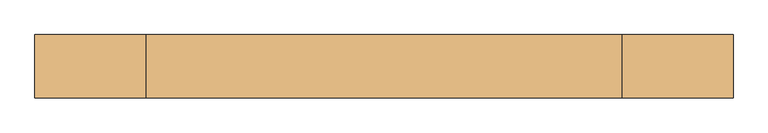
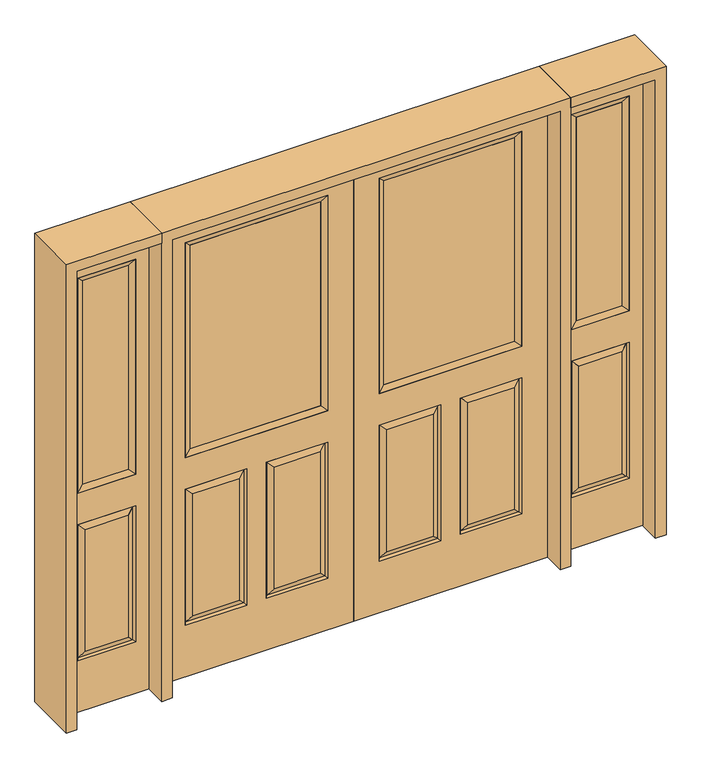
"""IFC4 building model written with IfcOpenShell, lengths in millimetres: door geometry."""

from ifc_helpers import new_model, si_unit, frame, origin, place, context, project, spatial, polyline, outline, extrude, faceted_brep, source, transform, mapped, element, save


def door_484cd6f8(model_context):
    return source(origin(), model_context, "Body", "SolidModel", [
        faceted_brep([(812.8, -22.225, 0.0), (812.8, -22.225, 2032.0), (0.0, -22.225, 2032.0), (0.0, -22.225, 0.0), (705.739, -22.225, 971.55), (107.061, -22.225, 971.55), (107.061, -22.225, 1925.574), (705.739, -22.225, 1925.574), (705.739, -22.225, 831.85), (705.739, -22.225, 228.6), (447.675, -22.225, 228.6), (447.675, -22.225, 831.85), (365.125, -22.225, 831.85), (365.125, -22.225, 228.6), (107.061, -22.225, 228.6), (107.061, -22.225, 831.85), (479.425, -22.225, 800.1), (479.425, -22.225, 260.35), (673.989, -22.225, 260.35), (673.989, -22.225, 800.1), (138.811, -22.225, 800.1), (138.811, -22.225, 260.35), (333.375, -22.225, 260.35), (333.375, -22.225, 800.1), (0.0, 22.225, 0.0), (812.8, 22.225, 0.0), (0.0, 22.225, 2032.0), (812.8, 22.225, 2032.0), (705.739, 22.225, 1925.574), (705.739, 22.225, 971.55), (107.061, 22.225, 971.55), (107.061, 22.225, 1925.574), (447.675, 22.225, 831.85), (447.675, 22.225, 228.6), (705.739, 22.225, 228.6), (705.739, 22.225, 831.85), (107.061, 22.225, 831.85), (107.061, 22.225, 228.6), (365.125, 22.225, 228.6), (365.125, 22.225, 831.85), (673.989, 22.225, 800.1), (673.989, 22.225, 260.35), (479.425, 22.225, 260.35), (479.425, 22.225, 800.1), (333.375, 22.225, 800.1), (333.375, 22.225, 260.35), (138.811, 22.225, 260.35), (138.811, 22.225, 800.1), (698.59525, -12.7449236, 824.70625), (454.81875, -12.7449236, 824.70625), (698.59525, -12.7449236, 235.74375), (454.81875, -12.7449236, 235.74375), (114.20475, -12.7449236, 824.70625), (357.98125, -12.7449236, 824.70625), (357.98125, -12.7449236, 235.74375), (114.20475, -12.7449236, 235.74375), (698.59525, 12.7449236, 824.70625), (454.81875, 12.7449236, 824.70625), (454.81875, 12.7449236, 235.74375), (698.59525, 12.7449236, 235.74375), (114.20475, 12.7449236, 824.70625), (357.98125, 12.7449236, 824.70625), (114.20475, 12.7449236, 235.74375), (357.98125, 12.7449236, 235.74375)], [[[0, 1, 2, 3], [4, 5, 6, 7], [8, 9, 10, 11], [12, 13, 14, 15]], [[16, 17, 18, 19]], [[20, 21, 22, 23]], [[3, 24, 25, 0]], [[2, 26, 24, 3]], [[0, 25, 27, 1]], [[7, 28, 29, 4]], [[5, 30, 31, 6]], [[4, 29, 30, 5]], [[25, 24, 26, 27], [29, 28, 31, 30], [32, 33, 34, 35], [36, 37, 38, 39]], [[40, 41, 42, 43]], [[44, 45, 46, 47]], [[1, 27, 26, 2]], [[6, 31, 28, 7]], [[16, 19, 48, 49]], [[19, 18, 50, 48]], [[51, 50, 18, 17]], [[49, 51, 17, 16]], [[48, 8, 11, 49]], [[11, 10, 51, 49]], [[10, 9, 50, 51]], [[48, 50, 9, 8]], [[52, 20, 23, 53]], [[23, 22, 54, 53]], [[22, 21, 55, 54]], [[52, 55, 21, 20]], [[53, 12, 15, 52]], [[15, 14, 55, 52]], [[54, 55, 14, 13]], [[53, 54, 13, 12]], [[56, 40, 43, 57]], [[43, 42, 58, 57]], [[42, 41, 59, 58]], [[56, 59, 41, 40]], [[57, 32, 35, 56]], [[35, 34, 59, 56]], [[58, 59, 34, 33]], [[57, 58, 33, 32]], [[44, 47, 60, 61]], [[47, 46, 62, 60]], [[63, 62, 46, 45]], [[61, 63, 45, 44]], [[60, 36, 39, 61]], [[39, 38, 63, 61]], [[38, 37, 62, 63]], [[60, 62, 37, 36]]]),
        extrude(outline(polyline([(132.461, -12.7), (132.461, 12.7), (680.339, 12.7), (680.339, -12.7), (132.461, -12.7)])), frame((0.0, 0.0, 996.95), z_axis=(0.0, 0.0, 1.0), x_axis=(1.0, 0.0, 0.0)), (0.0, 0.0, 1.0), 903.224),
        faceted_brep([(705.739, -22.225, 1925.574), (705.739, -22.225, 971.55), (705.739, 22.225, 971.55), (705.739, 22.225, 1925.574), (107.061, -22.225, 971.55), (107.061, 22.225, 971.55), (132.461, 12.7, 996.95), (680.339, 12.7, 996.95), (107.061, -22.225, 1925.574), (107.061, 22.225, 1925.574), (680.339, -12.7, 996.95), (132.461, -12.7, 996.95), (680.339, -12.7, 1900.174), (132.461, -12.7, 1900.174), (680.339, 12.7, 1900.174), (132.461, 12.7, 1900.174)], [[[0, 1, 2, 3]], [[1, 4, 5, 2]], [[2, 5, 6, 7]], [[4, 8, 9, 5]], [[10, 11, 4, 1]], [[12, 10, 1, 0]], [[11, 13, 8, 4]], [[7, 6, 11, 10]], [[14, 7, 10, 12]], [[6, 15, 13, 11]], [[3, 2, 7, 14]], [[5, 9, 15, 6]], [[8, 0, 3, 9]], [[13, 12, 0, 8]], [[15, 14, 12, 13]], [[9, 3, 14, 15]]]),
        faceted_brep([(-812.8, -22.225, 0.0), (0.0, -22.225, 0.0), (0.0, -22.225, 2032.0), (-812.8, -22.225, 2032.0), (-705.739, -22.225, 971.55), (-705.739, -22.225, 1925.574), (-107.061, -22.225, 1925.574), (-107.061, -22.225, 971.55), (-705.739, -22.225, 831.85), (-447.675, -22.225, 831.85), (-447.675, -22.225, 228.6), (-705.739, -22.225, 228.6), (-365.125, -22.225, 831.85), (-107.061, -22.225, 831.85), (-107.061, -22.225, 228.6), (-365.125, -22.225, 228.6), (-479.425, -22.225, 800.1), (-673.989, -22.225, 800.1), (-673.989, -22.225, 260.35), (-479.425, -22.225, 260.35), (-138.811, -22.225, 800.1), (-333.375, -22.225, 800.1), (-333.375, -22.225, 260.35), (-138.811, -22.225, 260.35), (-812.8, 22.225, 0.0), (0.0, 22.225, 0.0), (0.0, 22.225, 2032.0), (-812.8, 22.225, 2032.0), (-705.739, 22.225, 971.55), (-705.739, 22.225, 1925.574), (-107.061, 22.225, 1925.574), (-107.061, 22.225, 971.55), (-447.675, 22.225, 831.85), (-705.739, 22.225, 831.85), (-705.739, 22.225, 228.6), (-447.675, 22.225, 228.6), (-107.061, 22.225, 831.85), (-365.125, 22.225, 831.85), (-365.125, 22.225, 228.6), (-107.061, 22.225, 228.6), (-673.989, 22.225, 800.1), (-479.425, 22.225, 800.1), (-479.425, 22.225, 260.35), (-673.989, 22.225, 260.35), (-333.375, 22.225, 800.1), (-138.811, 22.225, 800.1), (-138.811, 22.225, 260.35), (-333.375, 22.225, 260.35), (-454.81875, -12.7449236, 824.70625), (-698.59525, -12.7449236, 824.70625), (-698.59525, -12.7449236, 235.74375), (-454.81875, -12.7449236, 235.74375), (-114.20475, -12.7449236, 824.70625), (-357.98125, -12.7449236, 824.70625), (-357.98125, -12.7449236, 235.74375), (-114.20475, -12.7449236, 235.74375), (-698.59525, 12.7449236, 824.70625), (-454.81875, 12.7449236, 824.70625), (-454.81875, 12.7449236, 235.74375), (-698.59525, 12.7449236, 235.74375), (-357.98125, 12.7449236, 824.70625), (-114.20475, 12.7449236, 824.70625), (-114.20475, 12.7449236, 235.74375), (-357.98125, 12.7449236, 235.74375)], [[[0, 1, 2, 3], [4, 5, 6, 7], [8, 9, 10, 11], [12, 13, 14, 15]], [[16, 17, 18, 19]], [[20, 21, 22, 23]], [[1, 0, 24, 25]], [[2, 1, 25, 26]], [[0, 3, 27, 24]], [[5, 4, 28, 29]], [[7, 6, 30, 31]], [[4, 7, 31, 28]], [[24, 27, 26, 25], [28, 31, 30, 29], [32, 33, 34, 35], [36, 37, 38, 39]], [[40, 41, 42, 43]], [[44, 45, 46, 47]], [[3, 2, 26, 27]], [[6, 5, 29, 30]], [[16, 48, 49, 17]], [[17, 49, 50, 18]], [[51, 19, 18, 50]], [[48, 16, 19, 51]], [[49, 48, 9, 8]], [[9, 48, 51, 10]], [[10, 51, 50, 11]], [[49, 8, 11, 50]], [[52, 53, 21, 20]], [[21, 53, 54, 22]], [[22, 54, 55, 23]], [[52, 20, 23, 55]], [[53, 52, 13, 12]], [[13, 52, 55, 14]], [[54, 15, 14, 55]], [[53, 12, 15, 54]], [[56, 57, 41, 40]], [[41, 57, 58, 42]], [[42, 58, 59, 43]], [[56, 40, 43, 59]], [[57, 56, 33, 32]], [[33, 56, 59, 34]], [[58, 35, 34, 59]], [[57, 32, 35, 58]], [[44, 60, 61, 45]], [[45, 61, 62, 46]], [[63, 47, 46, 62]], [[60, 44, 47, 63]], [[61, 60, 37, 36]], [[37, 60, 63, 38]], [[38, 63, 62, 39]], [[61, 36, 39, 62]]]),
        extrude(outline(polyline([(-132.461, -12.7), (-680.339, -12.7), (-680.339, 12.7), (-132.461, 12.7), (-132.461, -12.7)])), frame((0.0, 0.0, 996.95), z_axis=(0.0, 0.0, 1.0), x_axis=(1.0, 0.0, 0.0)), (0.0, 0.0, 1.0), 903.224),
        faceted_brep([(-705.739, -22.225, 1925.574), (-705.739, 22.225, 1925.574), (-705.739, 22.225, 971.55), (-705.739, -22.225, 971.55), (-107.061, 22.225, 971.55), (-107.061, -22.225, 971.55), (-680.339, 12.7, 996.95), (-132.461, 12.7, 996.95), (-107.061, 22.225, 1925.574), (-107.061, -22.225, 1925.574), (-680.339, -12.7, 996.95), (-132.461, -12.7, 996.95), (-680.339, -12.7, 1900.174), (-132.461, -12.7, 1900.174), (-680.339, 12.7, 1900.174), (-132.461, 12.7, 1900.174)], [[[0, 1, 2, 3]], [[3, 2, 4, 5]], [[2, 6, 7, 4]], [[5, 4, 8, 9]], [[10, 3, 5, 11]], [[12, 0, 3, 10]], [[11, 5, 9, 13]], [[6, 10, 11, 7]], [[14, 12, 10, 6]], [[7, 11, 13, 15]], [[1, 14, 6, 2]], [[4, 7, 15, 8]], [[9, 8, 1, 0]], [[13, 9, 0, 12]], [[15, 13, 12, 14]], [[8, 15, 14, 1]]]),
        faceted_brep([(1212.85, -22.225, 0.0), (1212.85, -22.225, 2032.0), (857.25, -22.225, 2032.0), (857.25, -22.225, 0.0), (913.638, -22.225, 1925.574), (1156.462, -22.225, 1925.574), (1156.462, -22.225, 971.55), (913.638, -22.225, 971.55), (913.638, -22.225, 228.6), (913.638, -22.225, 831.85), (1156.462, -22.225, 831.85), (1156.462, -22.225, 228.6), (1124.5559872, -22.225, 260.5060128), (1124.5559872, -22.225, 799.9439872), (945.5440128, -22.225, 799.9439872), (945.5440128, -22.225, 260.5060128), (857.25, 22.225, 0.0), (1212.85, 22.225, 0.0), (857.25, 22.225, 2032.0), (1212.85, 22.225, 2032.0), (913.638, 22.225, 971.55), (913.638, 22.225, 1925.574), (1156.462, 22.225, 971.55), (1156.462, 22.225, 1925.574), (1156.462, 22.225, 228.6), (1156.462, 22.225, 831.85), (913.638, 22.225, 831.85), (913.638, 22.225, 228.6), (945.5440128, 22.225, 260.5060128), (945.5440128, 22.225, 799.9439872), (1124.5559872, 22.225, 799.9439872), (1124.5559872, 22.225, 260.5060128), (1149.5419933, -13.0418409, 235.5200067), (920.5580067, -13.0418409, 235.5200067), (1149.5419933, -13.0418409, 824.9299933), (920.5580067, -13.0418409, 824.9299933), (1149.5419933, 13.0418409, 235.5200067), (920.5580067, 13.0418409, 235.5200067), (920.5580067, 13.0418409, 824.9299933), (1149.5419933, 13.0418409, 824.9299933)], [[[0, 1, 2, 3], [4, 5, 6, 7], [8, 9, 10, 11]], [[12, 13, 14, 15]], [[3, 16, 17, 0]], [[2, 18, 16, 3]], [[0, 17, 19, 1]], [[7, 20, 21, 4]], [[6, 22, 20, 7]], [[5, 23, 22, 6]], [[17, 16, 18, 19], [21, 20, 22, 23], [24, 25, 26, 27]], [[28, 29, 30, 31]], [[1, 19, 18, 2]], [[4, 21, 23, 5]], [[8, 11, 32, 33]], [[11, 10, 34, 32]], [[35, 34, 10, 9]], [[33, 35, 9, 8]], [[32, 12, 15, 33]], [[15, 14, 35, 33]], [[14, 13, 34, 35]], [[32, 34, 13, 12]], [[36, 24, 27, 37]], [[27, 26, 38, 37]], [[26, 25, 39, 38]], [[36, 39, 25, 24]], [[37, 28, 31, 36]], [[31, 30, 39, 36]], [[38, 39, 30, 29]], [[37, 38, 29, 28]]]),
        extrude(outline(polyline([(939.038, -12.7), (939.038, 12.7), (1131.062, 12.7), (1131.062, -12.7), (939.038, -12.7)])), frame((0.0, 0.0, 996.95), z_axis=(0.0, 0.0, 1.0), x_axis=(1.0, 0.0, 0.0)), (0.0, 0.0, 1.0), 903.224),
        faceted_brep([(1156.462, -22.225, 1925.574), (1156.462, -22.225, 971.55), (1156.462, 22.225, 971.55), (1156.462, 22.225, 1925.574), (913.638, -22.225, 971.55), (913.638, 22.225, 971.55), (939.038, 12.7, 996.95), (1131.062, 12.7, 996.95), (913.638, -22.225, 1925.574), (913.638, 22.225, 1925.574), (1131.062, -12.7, 996.95), (939.038, -12.7, 996.95), (1131.062, -12.7, 1900.174), (939.038, -12.7, 1900.174), (1131.062, 12.7, 1900.174), (939.038, 12.7, 1900.174)], [[[0, 1, 2, 3]], [[1, 4, 5, 2]], [[2, 5, 6, 7]], [[4, 8, 9, 5]], [[10, 11, 4, 1]], [[12, 10, 1, 0]], [[11, 13, 8, 4]], [[7, 6, 11, 10]], [[14, 7, 10, 12]], [[6, 15, 13, 11]], [[3, 2, 7, 14]], [[5, 9, 15, 6]], [[8, 0, 3, 9]], [[13, 12, 0, 8]], [[15, 14, 12, 13]], [[9, 3, 14, 15]]]),
        faceted_brep([(-1212.85, -22.225, 0.0), (-857.25, -22.225, 0.0), (-857.25, -22.225, 2032.0), (-1212.85, -22.225, 2032.0), (-913.638, -22.225, 1925.574), (-913.638, -22.225, 971.55), (-1156.462, -22.225, 971.55), (-1156.462, -22.225, 1925.574), (-913.638, -22.225, 228.6), (-1156.462, -22.225, 228.6), (-1156.462, -22.225, 831.85), (-913.638, -22.225, 831.85), (-1124.5559872, -22.225, 260.5060128), (-945.5440128, -22.225, 260.5060128), (-945.5440128, -22.225, 799.9439872), (-1124.5559872, -22.225, 799.9439872), (-1212.85, 22.225, 0.0), (-857.25, 22.225, 0.0), (-857.25, 22.225, 2032.0), (-1212.85, 22.225, 2032.0), (-913.638, 22.225, 1925.574), (-913.638, 22.225, 971.55), (-1156.462, 22.225, 971.55), (-1156.462, 22.225, 1925.574), (-1156.462, 22.225, 228.6), (-913.638, 22.225, 228.6), (-913.638, 22.225, 831.85), (-1156.462, 22.225, 831.85), (-945.5440128, 22.225, 260.5060128), (-1124.5559872, 22.225, 260.5060128), (-1124.5559872, 22.225, 799.9439872), (-945.5440128, 22.225, 799.9439872), (-920.5580067, -13.0418409, 235.5200067), (-1149.5419933, -13.0418409, 235.5200067), (-1149.5419933, -13.0418409, 824.9299933), (-920.5580067, -13.0418409, 824.9299933), (-1149.5419933, 13.0418409, 235.5200067), (-920.5580067, 13.0418409, 235.5200067), (-920.5580067, 13.0418409, 824.9299933), (-1149.5419933, 13.0418409, 824.9299933)], [[[0, 1, 2, 3], [4, 5, 6, 7], [8, 9, 10, 11]], [[12, 13, 14, 15]], [[1, 0, 16, 17]], [[2, 1, 17, 18]], [[0, 3, 19, 16]], [[5, 4, 20, 21]], [[6, 5, 21, 22]], [[7, 6, 22, 23]], [[16, 19, 18, 17], [20, 23, 22, 21], [24, 25, 26, 27]], [[28, 29, 30, 31]], [[3, 2, 18, 19]], [[4, 7, 23, 20]], [[8, 32, 33, 9]], [[9, 33, 34, 10]], [[35, 11, 10, 34]], [[32, 8, 11, 35]], [[33, 32, 13, 12]], [[13, 32, 35, 14]], [[14, 35, 34, 15]], [[33, 12, 15, 34]], [[36, 37, 25, 24]], [[25, 37, 38, 26]], [[26, 38, 39, 27]], [[36, 24, 27, 39]], [[37, 36, 29, 28]], [[29, 36, 39, 30]], [[38, 31, 30, 39]], [[37, 28, 31, 38]]]),
        extrude(outline(polyline([(-939.038, -12.7), (-1131.062, -12.7), (-1131.062, 12.7), (-939.038, 12.7), (-939.038, -12.7)])), frame((0.0, 0.0, 996.95), z_axis=(0.0, 0.0, 1.0), x_axis=(1.0, 0.0, 0.0)), (0.0, 0.0, 1.0), 903.224),
        faceted_brep([(-1156.462, -22.225, 1925.574), (-1156.462, 22.225, 1925.574), (-1156.462, 22.225, 971.55), (-1156.462, -22.225, 971.55), (-913.638, 22.225, 971.55), (-913.638, -22.225, 971.55), (-1131.062, 12.7, 996.95), (-939.038, 12.7, 996.95), (-913.638, 22.225, 1925.574), (-913.638, -22.225, 1925.574), (-1131.062, -12.7, 996.95), (-939.038, -12.7, 996.95), (-1131.062, -12.7, 1900.174), (-939.038, -12.7, 1900.174), (-1131.062, 12.7, 1900.174), (-939.038, 12.7, 1900.174)], [[[0, 1, 2, 3]], [[3, 2, 4, 5]], [[2, 6, 7, 4]], [[5, 4, 8, 9]], [[10, 3, 5, 11]], [[12, 0, 3, 10]], [[11, 5, 9, 13]], [[6, 10, 11, 7]], [[14, 12, 10, 6]], [[7, 11, 13, 15]], [[1, 14, 6, 2]], [[4, 7, 15, 8]], [[9, 8, 1, 0]], [[13, 9, 0, 12]], [[15, 13, 12, 14]], [[8, 15, 14, 1]]]),
        extrude(outline(polyline([(2032.0, -857.25), (2076.45, -857.25), (2076.45, -1257.3), (0.0, -1257.3), (0.0, -1212.85), (2032.0, -1212.85), (2032.0, -857.25)])), frame((0.0, -114.3, 0.0), z_axis=(0.0, 1.0, 0.0), x_axis=(0.0, 0.0, 1.0)), (0.0, 0.0, 1.0), 228.6),
        extrude(outline(polyline([(2076.45, 857.25), (2032.0, 857.25), (2032.0, 1212.85), (0.0, 1212.85), (0.0, 1257.3), (2076.45, 1257.3), (2076.45, 857.25)])), frame((0.0, -114.3, 0.0), z_axis=(0.0, 1.0, 0.0), x_axis=(0.0, 0.0, 1.0)), (0.0, 0.0, 1.0), 228.6),
        extrude(outline(polyline([(0.0, -857.25), (0.0, -812.8), (2032.0, -812.8), (2032.0, 812.8), (0.0, 812.8), (0.0, 857.25), (2076.45, 857.25), (2076.45, -857.25), (0.0, -857.25)])), frame((0.0, -114.3, 0.0), z_axis=(0.0, 1.0, 0.0), x_axis=(0.0, 0.0, 1.0)), (0.0, 0.0, 1.0), 228.6),
    ])


if __name__ == "__main__":
    model = new_model("IFC4")
    model_context = context("Model", 3, world=origin())
    ifc_project = project(units=[si_unit("LENGTHUNIT", "METRE", prefix="MILLI")], contexts=[model_context])
    site = spatial("IfcSite", under=ifc_project)
    building = spatial("IfcBuilding", under=site)
    placement = place(None, origin())
    door_shape = door_484cd6f8(model_context)
    element("IfcDoor", 1, at=placement, inside=building, context=model_context, shape_type="MappedRepresentation", body=[
        mapped(door_shape, transform((0.0, 0.0, 0.0), x_axis=(1.0, 0.0, 0.0), y_axis=(0.0, 1.0, 0.0), z_axis=(0.0, 0.0, 1.0))),
    ])
    save(model, "model.ifc")
